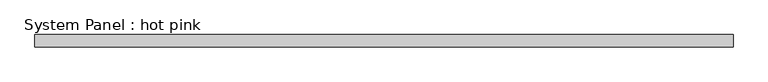
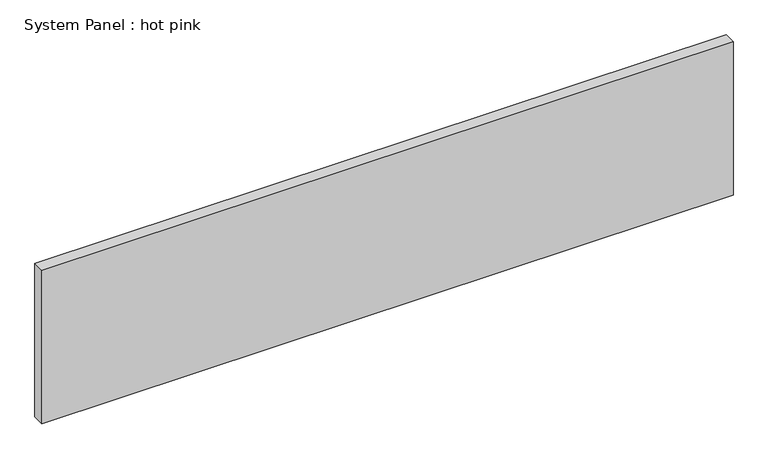
"""IFC4 building model written with IfcOpenShell, lengths in millimetres: plate geometry, System Panel : hot pink."""

from ifc_helpers import new_model, si_unit, origin, origin_with_axes, place, context, project, spatial, polyline, outline, extrude, source, transform, mapped, element, save


def system_panel_hot_pink_5317018a(model_context):
    return source(origin(), model_context, "Body", "SweptSolid", [
        extrude(outline(polyline([(1812.925, -19.05), (-1812.925, -19.05), (-1812.925, 44.45), (1812.925, 44.45), (1812.925, -19.05)])), origin_with_axes(), (0.0, 0.0, 1.0), 850.9),
    ])


if __name__ == "__main__":
    model = new_model("IFC4")
    model_context = context("Model", 3, world=origin())
    ifc_project = project(units=[si_unit("LENGTHUNIT", "METRE", prefix="MILLI")], contexts=[model_context])
    site = spatial("IfcSite", under=ifc_project)
    building = spatial("IfcBuilding", under=site)
    placement = place(None, origin())
    system_panel_hot_pink_shape = system_panel_hot_pink_5317018a(model_context)
    element("IfcPlate", 1, ObjectType="System Panel : hot pink", at=placement, inside=building, context=model_context, shape_type="MappedRepresentation", body=[
        mapped(system_panel_hot_pink_shape, transform((0.0, 0.0, 0.0), x_axis=(1.0, 0.0, 0.0), y_axis=(0.0, 1.0, 0.0), z_axis=(0.0, 0.0, 1.0))),
    ])
    save(model, "model.ifc")
